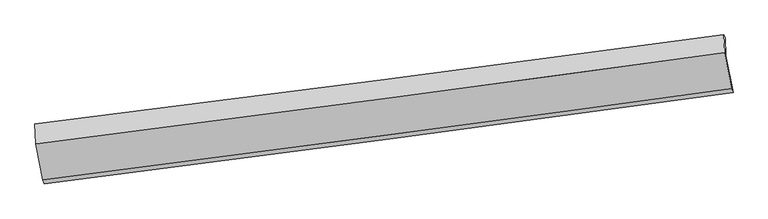
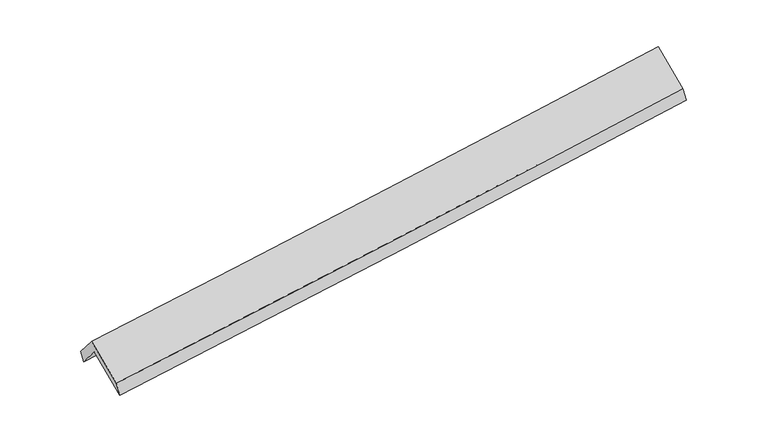
"""IFC4 building model written with IfcOpenShell, lengths in millimetres: proxy geometry."""

from ifc_helpers import new_model, si_unit, frame, origin, place, context, project, spatial, source, transform, mapped, element, save
from ifc_brep_helpers import plane_surface, spline_curve, spline_surface, advanced_brep


def generic_models_e4474ee5(model_context):
    return source(origin(), model_context, "Body", "AdvancedBrep", [
        advanced_brep(
        [(-4741.6437698, -2211.0515281, 1764.363055), (-4752.0909507, -1942.8206425, 1445.6293572), (4665.5831366, -715.133578, 2209.3288913), (4675.2782006, -964.0538981, 2505.1162086), (-4769.0998643, -1900.119627, 1595.2561687), (4648.8249286, -678.8694177, 2366.6044963), (-4758.5572112, -2170.8017568, 1916.9026338), (4658.3647592, -923.8041268, 2657.6557874), (-4662.7425676, -2662.4141475, 1500.0448596), (4754.1794028, -1415.4165175, 2240.7980132), (-4642.7229309, -2718.6014004, 1333.9912538), (4774.1990395, -1471.6037703, 2074.7444075)],
        [
            (0, 1),
            (1, 2, spline_curve(3, [(-4752.0909507, -1942.8206425, 1445.6293572), (-3176.456314562, -1747.345099073, 1569.376071175), (-1601.619669829, -1546.99755887, 1695.076205808), (1537.596066352, -1137.713834473, 1949.664650352), (3101.98411711, -928.832353511, 2078.531026705), (4665.5831366, -715.133578, 2209.3288913)], [4, 2, 4], [0.0, 15.674100676934515, 31.259958829202752])),
            (2, 3),
            (3, 0, spline_curve(3, [(4675.2782006, -964.0538981, 2505.1162086), (3111.721552824, -1178.840556639, 2375.611054822), (1547.417070118, -1389.86765604, 2249.29427637), (-1591.548428008, -1805.576224145, 2002.340352582), (-3166.217935672, -2010.215001277, 1881.739413725), (-4741.6437698, -2211.0515281, 1764.363055)], [4, 2, 4], [0.0, 15.585858152268237, 31.259958829202752])),
            (1, 4),
            (4, 5, spline_curve(3, [(-4769.0998643, -1900.119627, 1595.2561687), (-3193.507367439, -1703.562154934, 1717.717246993), (-1618.670722786, -1503.214614789, 1843.417381956), (1520.629054872, -1096.08865648, 2100.569859296), (3085.100674517, -889.352794248, 2231.985833305), (4648.8249286, -678.8694177, 2366.6044963)], [4, 2, 4], [0.0, 15.674186946834867, 31.26013088331857])),
            (5, 2),
            (4, 6),
            (6, 7, spline_curve(3, [(-4758.5572112, -2170.8017568, 1916.9026338), (-3183.131377193, -1969.965230441, 2034.278992346), (-1608.461869639, -1765.326452848, 2154.8799316), (1530.503628947, -1349.617884936, 2401.833854953), (3094.808111359, -1138.590785575, 2528.150633387), (4658.3647592, -923.8041268, 2657.6557874)], [4, 2, 4], [0.0, 15.674113281177398, 31.25998396672877])),
            (7, 5),
            (6, 8),
            (8, 9, spline_curve(3, [(-4662.7425676, -2662.4141475, 1500.0448596), (-3087.316733593, -2461.577621065, 1617.42121818), (-1512.647225713, -2256.93884359, 1738.022157467), (1626.318272224, -1841.230275594, 1984.976080687), (3190.622755105, -1630.203175856, 2111.292859274), (4754.1794028, -1415.4165175, 2240.7980132)], [4, 2, 4], [0.0, 15.674078750101463, 31.259915098980997])),
            (9, 7),
            (8, 10),
            (10, 11, spline_curve(3, [(-4642.7229309, -2718.6014004, 1333.9912538), (-3067.297096893, -2517.764873965, 1451.36761238), (-1492.627589013, -2313.12609639, 1571.968551767), (1646.337908924, -1897.417528394, 1818.922474987), (3210.642391805, -1686.390428656, 1945.239253574), (4774.1990395, -1471.6037703, 2074.7444075)], [4, 2, 4], [0.0, 15.674078750101463, 31.259915098980997])),
            (11, 9),
            (10, 0),
            (3, 11),
        ],
        [
            spline_surface(3, 3, [[(-4741.6437698, -2211.0515281, 1764.363055), (-3166.217935599, -2010.215001499, 1881.739413539), (-1591.548428009, -1805.5762242, 2002.340352802), (1547.417070119, -1389.867655985, 2249.294276151), (3111.721552656, -1178.840556638, 2375.611054751), (4675.2782006, -964.0538981, 2505.1162086)], [(-4745.126163415, -2121.641232904, 1658.118489067), (-3169.630728526, -1922.591700737, 1777.618299359), (-1594.905508577, -1719.383335701, 1899.918970511), (1544.143402153, -1305.816382188, 2149.417734183), (3108.47574087, -1095.504488973, 2276.584378727), (4672.046512604, -881.080458087, 2406.52043617)], [(-4748.608557085, -2032.230937696, 1551.873923133), (-3173.043521509, -1834.968399964, 1673.497185176), (-1598.262589137, -1633.190447224, 1797.497588213), (1540.869734194, -1221.765108413, 2049.541192207), (3105.229929072, -1012.168421246, 2177.557702694), (4668.814824596, -798.107018013, 2307.92466373)], [(-4752.0909507, -1942.8206425, 1445.6293572), (-3176.456314436, -1747.345099202, 1569.376070996), (-1601.619669705, -1546.997558725, 1695.076205922), (1537.596066229, -1137.713834616, 1949.664650238), (3101.984117286, -928.832353581, 2078.53102667), (4665.5831366, -715.133578, 2209.3288913)]], [4, 4], [4, 2, 4], [0.0, 1.3016843188932044], [0.0, 15.674100676934515, 31.259958829202752]),
            spline_surface(3, 3, [[(-4752.0909507, -1942.8206425, 1445.6293572), (-3176.456314436, -1747.345099202, 1569.376070996), (-1601.619669705, -1546.997558725, 1695.076205922), (1537.596066229, -1137.713834616, 1949.664650238), (3101.984117286, -928.832353581, 2078.53102667), (4665.5831366, -715.133578, 2209.3288913)], [(-4757.760588565, -1928.586970676, 1495.504961027), (-3182.139998788, -1732.750784491, 1618.823129687), (-1607.303354057, -1532.403244014, 1744.523264613), (1531.94039577, -1123.838775322, 1999.966386564), (3096.356303008, -915.672500418, 2129.68262894), (4659.997067274, -703.045524571, 2261.754092961)], [(-4763.430226435, -1914.353298824, 1545.380564873), (-3187.823683143, -1718.156469751, 1668.270188398), (-1612.987038412, -1517.808929274, 1793.970323325), (1526.284725308, -1109.963715999, 2050.26812291), (3090.728488707, -902.512647243, 2180.834231228), (4654.410997926, -690.957471129, 2314.179294639)], [(-4769.0998643, -1900.119627, 1595.2561687), (-3193.507367495, -1703.562155039, 1717.717247089), (-1618.670722764, -1503.214614562, 1843.417382016), (1520.62905485, -1096.088656705, 2100.569859236), (3085.100674428, -889.35279408, 2231.985833499), (4648.8249286, -678.8694177, 2366.6044963)]], [4, 4], [4, 2, 4], [0.0, 0.5135160409008471], [0.0, 15.674186946834867, 31.26013088331857]),
            spline_surface(3, 3, [[(-4769.0998643, -1900.119627, 1595.2561687), (-3193.507367495, -1703.562155039, 1717.717247089), (-1618.670722764, -1503.214614562, 1843.417382016), (1520.62905485, -1096.088656705, 2100.569859236), (3085.100674428, -889.35279408, 2231.985833499), (4648.8249286, -678.8694177, 2366.6044963)], [(-4765.58564662, -1990.347003608, 1702.47165705), (-3190.048704016, -1792.363180101, 1823.237828822), (-1615.267771645, -1590.58522736, 1947.238231859), (1523.920579474, -1180.598399384, 2200.991191122), (3088.336486693, -972.432124496, 2330.707433496), (4652.004872122, -760.51432073, 2463.621593313)], [(-4762.07142888, -2080.574380192, 1809.68714545), (-3186.590040478, -1881.164205138, 1928.758410606), (-1611.864820529, -1677.955840202, 2051.059081758), (1527.212104095, -1265.108142106, 2301.412523065), (3091.572298991, -1055.511454922, 2429.429033554), (4655.184815678, -842.15922377, 2560.638690387)], [(-4758.5572112, -2170.8017568, 1916.9026338), (-3183.131376999, -1969.965230199, 2034.278992339), (-1608.461869409, -1765.326453, 2154.879931602), (1530.503628719, -1349.617884785, 2401.833854951), (3094.808111256, -1138.590785338, 2528.150633551), (4658.3647592, -923.8041268, 2657.6557874)]], [4, 4], [4, 2, 4], [0.0, 1.3142246526911308], [0.0, 15.674113281177398, 31.25998396672877]),
            plane_surface(frame((-4710.6498894, -2416.6079522, 1708.4737467), z_axis=(0.02507056188751946, -0.6436855183423769, 0.7648793502265242), x_axis=(0.14703635036175774, -0.7544242614781644, -0.6397064524963154))),
            spline_surface(3, 3, [[(-4662.7425676, -2662.4141475, 1500.0448596), (-3087.316733399, -2461.577620899, 1617.421218139), (-1512.647225809, -2256.9388437, 1738.022157402), (1626.318272319, -1841.230275485, 1984.976080751), (3190.622754856, -1630.203176038, 2111.292859351), (4754.1794028, -1415.4165175, 2240.7980132)], [(-4656.069355351, -2681.143231785, 1444.693657695), (-3080.643521149, -2480.306705184, 1562.070016234), (-1505.97401356, -2275.667927985, 1682.670955497), (1632.991484568, -1859.959359769, 1929.624878846), (3197.295967105, -1648.932260323, 2055.941657446), (4760.852615049, -1434.145601785, 2185.446811295)], [(-4649.396143149, -2699.872316115, 1389.342455705), (-3073.970308948, -2499.035789515, 1506.718814245), (-1499.300801358, -2294.397012215, 1627.319753607), (1639.66469677, -1878.688444, 1874.273676957), (3203.969179307, -1667.661344553, 2000.590455556), (4767.525827251, -1452.874686015, 2130.095609405)], [(-4642.7229309, -2718.6014004, 1333.9912538), (-3067.297096699, -2517.764873799, 1451.367612339), (-1492.627589109, -2313.1260965, 1571.968551702), (1646.337909019, -1897.417528285, 1818.922475051), (3210.642391556, -1686.390428838, 1945.239253651), (4774.1990395, -1471.6037703, 2074.7444075)]], [4, 4], [4, 2, 4], [0.0, 0.5788762220393621], [0.0, 15.674078750101463, 31.259915098980997]),
            plane_surface(frame((-4692.1833503, -2464.8264642, 1549.1771544), z_axis=(-0.025070561887518897, 0.6436855183423645, -0.7648793502265345), x_axis=(-0.1470363503617451, 0.7544242614781764, 0.6397064524963041))),
            plane_surface(frame((4696.0715779, -1028.1468847, 2342.3746341), z_axis=(0.9888133183766, 0.12850286833151284, 0.07573132926095119), x_axis=(0.11346332846961983, -0.3184469731819265, -0.9411257080559773))),
            plane_surface(frame((-4721.1428824, -2267.6348504, 1592.697888), z_axis=(-0.9888133183765948, -0.12850286833165075, -0.07573132926078732), x_axis=(0.1470363503617451, -0.7544242614781764, -0.6397064524963041))),
        ],
        [
            (0, [[1, 2, 3, 4]]),
            (1, [[5, 6, 7, -2]]),
            (2, [[8, 9, 10, -6]]),
            (3, [[11, 12, 13, -9]]),
            (4, [[14, 15, 16, -12]]),
            (5, [[17, -4, 18, -15]]),
            (6, [[-16, -18, -3, -7, -10, -13]]),
            (7, [[-17, -14, -11, -8, -5, -1]]),
        ],
    ),
    ])


if __name__ == "__main__":
    model = new_model("IFC4")
    model_context = context("Model", 3, world=origin())
    ifc_project = project(units=[si_unit("LENGTHUNIT", "METRE", prefix="MILLI")], contexts=[model_context])
    site = spatial("IfcSite", under=ifc_project)
    building = spatial("IfcBuilding", under=site)
    placement = place(None, origin())
    generic_models_shape = generic_models_e4474ee5(model_context)
    element("IfcBuildingElementProxy", 1, Name="Generic Models", at=placement, inside=building, context=model_context, shape_type="MappedRepresentation", body=[
        mapped(generic_models_shape, transform((0.0, 0.0, 0.0), x_axis=(1.0, 0.0, 0.0), y_axis=(0.0, 1.0, 0.0), z_axis=(0.0, 0.0, 1.0))),
    ])
    save(model, "model.ifc")
